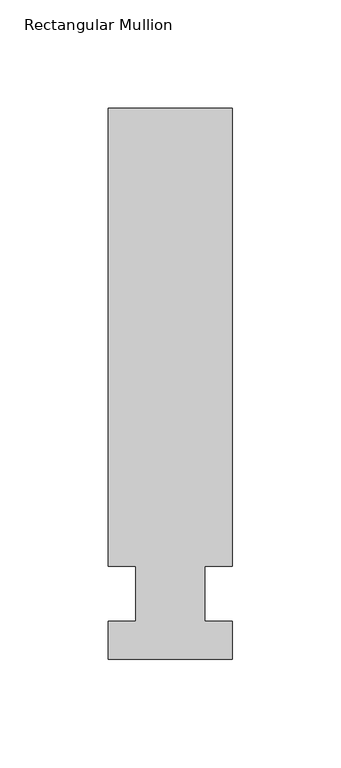
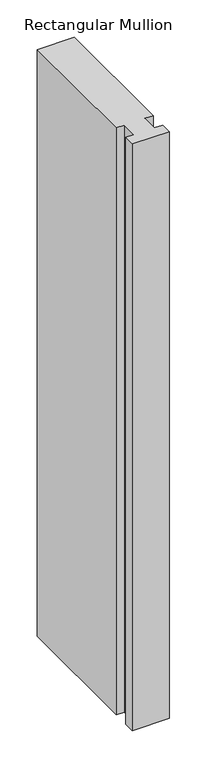
"""IFC4 building model written with IfcOpenShell, lengths in millimetres: member geometry, Rectangular Mullion."""

from ifc_helpers import new_model, si_unit, frame, origin, place, context, project, spatial, polyline, outline, extrude, source, transform, mapped, element, save


def rectangular_mullion_d5ccdc99(model_context):
    return source(origin(), model_context, "Body", "SweptSolid", [
        extrude(outline(polyline([(28.575, 223.8375), (28.575, 12.7), (15.8732296, 12.7), (15.8732296, -12.7), (28.575, -12.7), (28.575, -30.1625), (-28.575, -30.1625), (-28.575, -12.7), (-15.875, -12.7), (-15.875, 12.7), (-28.575, 12.7), (-28.575, 223.8375), (28.575, 223.8375)])), frame((0.0, 0.0, -958.85), z_axis=(0.0, 0.0, 1.0), x_axis=(1.0, 0.0, 0.0)), (0.0, 0.0, 1.0), 958.85),
    ])


if __name__ == "__main__":
    model = new_model("IFC4")
    model_context = context("Model", 3, world=origin())
    ifc_project = project(units=[si_unit("LENGTHUNIT", "METRE", prefix="MILLI")], contexts=[model_context])
    site = spatial("IfcSite", under=ifc_project)
    building = spatial("IfcBuilding", under=site)
    placement = place(None, origin())
    rectangular_mullion_shape = rectangular_mullion_d5ccdc99(model_context)
    element("IfcMember", 1, ObjectType="Rectangular Mullion", at=placement, inside=building, context=model_context, shape_type="MappedRepresentation", body=[
        mapped(rectangular_mullion_shape, transform((0.0, 0.0, 0.0), x_axis=(1.0, 0.0, 0.0), y_axis=(0.0, 1.0, 0.0), z_axis=(0.0, 0.0, 1.0))),
    ])
    save(model, "model.ifc")
